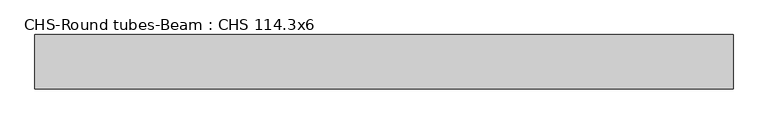
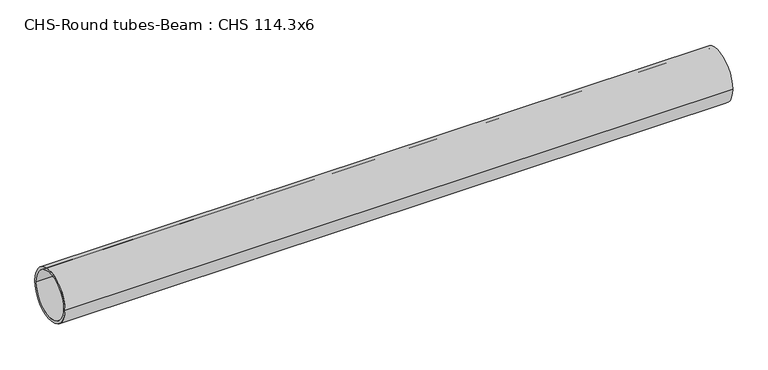
"""IFC4 building model written with IfcOpenShell, lengths in millimetres: beam geometry, CHS-Round tubes-Beam : CHS 114.3x6."""

import ifcopenshell
import ifcopenshell.guid

model = None  # the IFC model being written
_history = None  # IfcOwnerHistory: only IFC2X3 demands one
_inside = {}  # id of a spatial element -> (the spatial element, [elements in it])
_under = {}  # id of a project, library or spatial element -> (it, [spatial elements below it])
_declared = {}  # id of a project -> (the project, [libraries it declares])
_typed = {}  # id of a type object -> (the type object, [elements of that type])
_made_of = {}  # id of a material, layer set ... -> (it, [elements and type objects made of it])


def new_model(schema):
    """Start an empty IFC model of exactly this schema.

    Asked for "IFC4X3", IfcOpenShell would pick the latest addendum, in which some entities
    have other attributes; the version numbers below select the first issue.
    IFC2X3 requires an IfcOwnerHistory on every rooted entity: one is made here for all.
    """
    global model, _history
    if schema == "IFC4X3":
        model = ifcopenshell.file(schema_version=(4, 3, 0, 0))
    else:
        model = ifcopenshell.file(schema=schema)
    _inside.clear()
    _under.clear()
    _declared.clear()
    _typed.clear()
    _made_of.clear()
    _history = None
    if model.schema == "IFC2X3":
        org = make("IfcOrganization", Name="unknown")
        user = make(
            "IfcPersonAndOrganization",
            ThePerson=make("IfcPerson", FamilyName="unknown"),
            TheOrganization=org,
        )
        app = make(
            "IfcApplication",
            ApplicationDeveloper=org,
            Version="unknown",
            ApplicationFullName="unknown",
            ApplicationIdentifier="unknown",
        )
        _history = make(
            "IfcOwnerHistory",
            OwningUser=user,
            OwningApplication=app,
            ChangeAction="ADDED",
            CreationDate=0,
        )
    return model


def make(cls, **values):
    """One entity of the class cls with the attributes given. An attribute that is None is left unset."""
    return model.create_entity(
        cls, **{name: value for name, value in values.items() if value is not None}
    )


def rooted(cls, **values):
    """An entity with a GlobalId (a new one), such as an element, a storey or a relation."""
    return make(cls, GlobalId=ifcopenshell.guid.new(), OwnerHistory=_history, **values)


def si_unit(unit_type, name, prefix=None):
    """IfcSIUnit, for example si_unit("LENGTHUNIT", "METRE", prefix="MILLI")."""
    return make("IfcSIUnit", UnitType=unit_type, Prefix=prefix, Name=name)


def assignment(units):
    """IfcUnitAssignment: the units of a project."""
    return None if units is None else make("IfcUnitAssignment", Units=units)


def point(xyz):
    """IfcCartesianPoint."""
    return None if xyz is None else make("IfcCartesianPoint", Coordinates=xyz)


def direction(xyz):
    """IfcDirection."""
    return None if xyz is None else make("IfcDirection", DirectionRatios=xyz)


def frame(location, z_axis=None, x_axis=None):
    """IfcAxis2Placement3D, a coordinate frame: its origin and axes. An axis left out is left unset."""
    return make(
        "IfcAxis2Placement3D",
        Location=point(location),
        Axis=direction(z_axis),
        RefDirection=direction(x_axis),
    )


def frame_2d(location, x_axis=None):
    """IfcAxis2Placement2D, a coordinate frame in the plane: its origin and x axis."""
    return make(
        "IfcAxis2Placement2D", Location=point(location), RefDirection=direction(x_axis)
    )


def origin():
    """The frame at (0, 0, 0) with its axes left unset."""
    return frame((0.0, 0.0, 0.0))


def origin_2d():
    """The frame at (0, 0) in the plane with its x axis left unset."""
    return frame_2d((0.0, 0.0))


def place(relative_to, where):
    """IfcLocalPlacement: puts the frame where relative to a parent placement (None: the world)."""
    return make(
        "IfcLocalPlacement", PlacementRelTo=relative_to, RelativePlacement=where
    )


def context(
    kind, dimensions, precision=None, world=None, true_north=None, identifier=None
):
    """IfcGeometricRepresentationContext, for example the 3D "Model" context."""
    return make(
        "IfcGeometricRepresentationContext",
        ContextIdentifier=identifier,
        ContextType=kind,
        CoordinateSpaceDimension=dimensions,
        Precision=precision,
        WorldCoordinateSystem=world,
        TrueNorth=true_north,
    )


def project(units=None, contexts=None):
    """IfcProject with its units and contexts."""
    return rooted(
        "IfcProject",
        Name="project",
        RepresentationContexts=contexts,
        UnitsInContext=assignment(units),
    )


def spatial(cls, under=None, at=None, **own):
    """A site, building, storey or space (cls), placed at a placement, below another one or the project."""
    s = rooted(cls, ObjectPlacement=at, **own)
    if under is not None:
        _under.setdefault(under.id(), (under, []))[1].append(s)
    return s


def circle_curve(where, radius):
    """IfcCircle in the frame where."""
    return make("IfcCircle", Position=where, Radius=radius)


def trimmed(basis, trim1, trim2, sense, master):
    """IfcTrimmedCurve: the piece of a basis curve between two trims."""
    return make(
        "IfcTrimmedCurve",
        BasisCurve=basis,
        Trim1=trim1,
        Trim2=trim2,
        SenseAgreement=sense,
        MasterRepresentation=master,
    )


def segment(curve, same_sense, transition):
    """IfcCompositeCurveSegment."""
    return make(
        "IfcCompositeCurveSegment",
        Transition=transition,
        SameSense=same_sense,
        ParentCurve=curve,
    )


def composite_curve(segments, self_intersect=None):
    """IfcCompositeCurve: segments joined end to end."""
    return make("IfcCompositeCurve", Segments=segments, SelfIntersect=self_intersect)


def outline(outer, holes=None, kind="AREA"):
    """IfcArbitraryClosedProfileDef: a profile drawn as a closed curve; with holes, ...WithVoids."""
    if holes is None:
        return make("IfcArbitraryClosedProfileDef", ProfileType=kind, OuterCurve=outer)
    return make(
        "IfcArbitraryProfileDefWithVoids",
        ProfileType=kind,
        OuterCurve=outer,
        InnerCurves=holes,
    )


def extrude(swept, where, along, depth):
    """IfcExtrudedAreaSolid: the profile swept, set in the frame where, extruded along a direction by depth."""
    return make(
        "IfcExtrudedAreaSolid",
        SweptArea=swept,
        Position=where,
        ExtrudedDirection=direction(along),
        Depth=depth,
    )


def shape(context_of_items, identifier, shape_type, items):
    """IfcShapeRepresentation: the items that make up one representation, for example the "Body"."""
    return make(
        "IfcShapeRepresentation",
        ContextOfItems=context_of_items,
        RepresentationIdentifier=identifier,
        RepresentationType=shape_type,
        Items=items,
    )


def source(mapping_origin, context_of_items, identifier, shape_type, items):
    """IfcRepresentationMap: a shape defined once, which mapped items show again and again."""
    return make(
        "IfcRepresentationMap",
        MappingOrigin=mapping_origin,
        MappedRepresentation=shape(context_of_items, identifier, shape_type, items),
    )


def transform(
    local_origin,
    x_axis=None,
    y_axis=None,
    z_axis=None,
    scale=None,
    scale2=None,
    scale3=None,
    uniform=True,
):
    """IfcCartesianTransformationOperator3D, or its non-uniform kind. x_axis, y_axis, z_axis: its Axis1, 2, 3."""
    if uniform:
        return make(
            "IfcCartesianTransformationOperator3D",
            Axis1=direction(x_axis),
            Axis2=direction(y_axis),
            LocalOrigin=point(local_origin),
            Scale=scale,
            Axis3=direction(z_axis),
        )
    return make(
        "IfcCartesianTransformationOperator3DnonUniform",
        Axis1=direction(x_axis),
        Axis2=direction(y_axis),
        LocalOrigin=point(local_origin),
        Scale=scale,
        Axis3=direction(z_axis),
        Scale2=scale2,
        Scale3=scale3,
    )


def mapped(mapping_source, mapping_target):
    """IfcMappedItem: shows the shape of a source again, moved by a transform."""
    return make(
        "IfcMappedItem", MappingSource=mapping_source, MappingTarget=mapping_target
    )


def made_of(thing, what):
    """Note that an element or type object is made of a material, layer set ...; save() writes the relation."""
    if what is not None:
        _made_of.setdefault(what.id(), (what, []))[1].append(thing)
    return thing


def element(
    cls,
    number,
    at=None,
    inside=None,
    cuts=None,
    type_object=None,
    material=None,
    context=None,
    identifier="Body",
    shape_type=None,
    held_by="IfcProductDefinitionShape",
    body=None,
    shapes=None,
    **own,
):
    """One element of the class cls, such as IfcWall. Its Tag is "e" and its number.

    at: its placement. inside: the storey or other place that contains it. cuts: it is an
    opening in that element (IfcRelVoidsElement). A single representation is given by context,
    identifier, shape_type and body (its items); several are given by shapes. held_by: the class
    of the entity that holds the representations. save() writes the other relations.
    """
    e = rooted(cls, Tag="e%d" % number, ObjectPlacement=at, **own)
    if body is not None:
        shapes = [shape(context, identifier, shape_type, body)]
    if shapes is not None:
        e.Representation = make(held_by, Representations=shapes)
    if inside is not None:
        _inside.setdefault(inside.id(), (inside, []))[1].append(e)
    if cuts is not None:
        rooted(
            "IfcRelVoidsElement", RelatingBuildingElement=cuts, RelatedOpeningElement=e
        )
    if type_object is not None:
        _typed.setdefault(type_object.id(), (type_object, []))[1].append(e)
    return made_of(e, material)


def aggregate(whole, parts):
    """IfcRelAggregates: a whole, such as a stair, and the parts it consists of."""
    return rooted("IfcRelAggregates", RelatingObject=whole, RelatedObjects=parts)


def save(model, path):
    """Write the relations noted so far, then the file.

    IfcRelAggregates (storeys below a building ...), IfcRelContainedInSpatialStructure (elements
    in a storey), IfcRelDefinesByType, IfcRelAssociatesMaterial and IfcRelDeclares: one each for
    every whole, place, type object, material and project.
    """
    for whole, parts in _under.values():
        aggregate(whole, parts)
    for where, things in _inside.values():
        rooted(
            "IfcRelContainedInSpatialStructure",
            RelatedElements=things,
            RelatingStructure=where,
        )
    for kind, things in _typed.values():
        rooted("IfcRelDefinesByType", RelatedObjects=things, RelatingType=kind)
    for what, things in _made_of.values():
        rooted("IfcRelAssociatesMaterial", RelatedObjects=things, RelatingMaterial=what)
    for by, libraries in _declared.values():
        rooted("IfcRelDeclares", RelatingContext=by, RelatedDefinitions=libraries)
    model.write(path)


def chs_round_tubes_beam_chs_114_3x6_7108eb5c(model_context):
    return source(origin(), model_context, "Body", "SweptSolid", [
        extrude(outline(composite_curve([segment(trimmed(circle_curve(origin_2d(), 57.15), [point((57.15, 0.0))], [point((-57.15, 0.0))], False, "CARTESIAN"), True, "CONTINUOUS"), segment(trimmed(circle_curve(origin_2d(), 57.15), [point((-57.15, 0.0))], [point((57.15, 0.0))], False, "CARTESIAN"), True, "CONTINUOUS")], self_intersect=False), holes=[composite_curve([segment(trimmed(circle_curve(origin_2d(), 51.15), [point((51.15, 0.0))], [point((-51.15, 0.0))], True, "CARTESIAN"), True, "CONTINUOUS"), segment(trimmed(circle_curve(origin_2d(), 51.15), [point((-51.15, 0.0))], [point((51.15, 0.0))], True, "CARTESIAN"), True, "CONTINUOUS")], self_intersect=False)]), frame((-744.463093, 0.0, 0.0), z_axis=(1.0, 0.0, 0.0), x_axis=(0.0, 1.0, 0.0)), (0.0, 0.0, 1.0), 1467.1117748),
    ])


if __name__ == "__main__":
    model = new_model("IFC4")
    model_context = context("Model", 3, world=origin())
    ifc_project = project(units=[si_unit("LENGTHUNIT", "METRE", prefix="MILLI")], contexts=[model_context])
    site = spatial("IfcSite", under=ifc_project)
    building = spatial("IfcBuilding", under=site)
    placement = place(None, origin())
    chs_round_tubes_beam_chs_114_3x6_shape = chs_round_tubes_beam_chs_114_3x6_7108eb5c(model_context)
    element("IfcBeam", 1, ObjectType="CHS-Round tubes-Beam : CHS 114.3x6", at=placement, inside=building, context=model_context, shape_type="MappedRepresentation", body=[
        mapped(chs_round_tubes_beam_chs_114_3x6_shape, transform((0.0, 0.0, 0.0), x_axis=(1.0, 0.0, 0.0), y_axis=(0.0, 1.0, 0.0), z_axis=(0.0, 0.0, 1.0))),
    ])
    save(model, "model.ifc")
